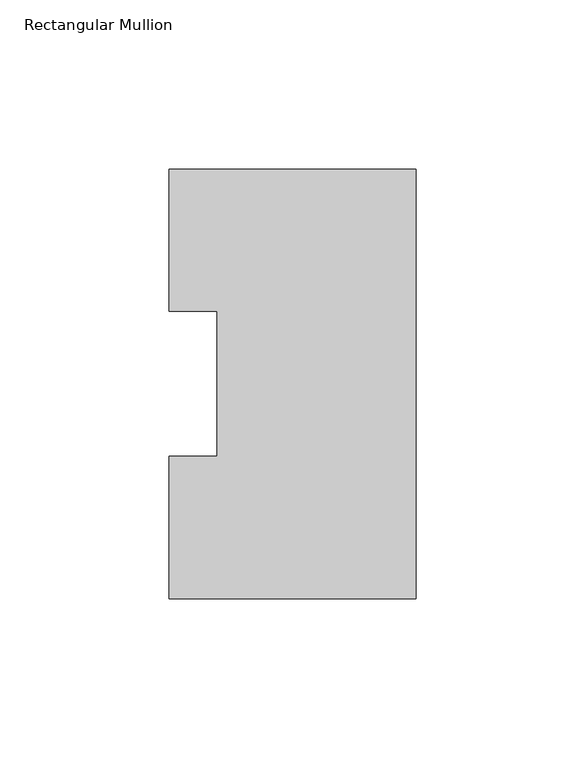
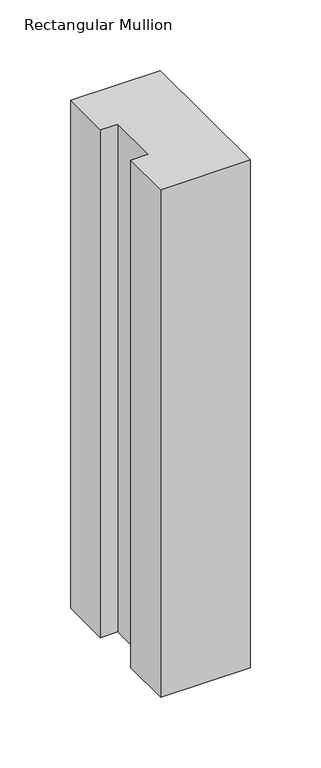
"""IFC4 building model written with IfcOpenShell, lengths in millimetres: member geometry, Rectangular Mullion."""

from ifc_helpers import new_model, si_unit, frame, origin, place, context, project, spatial, polyline, outline, extrude, source, transform, mapped, element, save


def rectangular_mullion_255fce44(model_context):
    return source(origin(), model_context, "Body", "SweptSolid", [
        extrude(outline(polyline([(0.0, 127.006348), (0.0, 0.0063465), (-73.025, 0.0063465), (-73.025, 42.0814491), (-58.7375, 42.0814491), (-58.7375, 84.93125), (-73.025, 84.93125), (-73.025, 127.006348), (0.0, 127.006348)])), frame((0.0, 0.0, -438.15), z_axis=(0.0, 0.0, 1.0), x_axis=(1.0, 0.0, 0.0)), (0.0, 0.0, 1.0), 438.15),
    ])


if __name__ == "__main__":
    model = new_model("IFC4")
    model_context = context("Model", 3, world=origin())
    ifc_project = project(units=[si_unit("LENGTHUNIT", "METRE", prefix="MILLI")], contexts=[model_context])
    site = spatial("IfcSite", under=ifc_project)
    building = spatial("IfcBuilding", under=site)
    placement = place(None, origin())
    rectangular_mullion_shape = rectangular_mullion_255fce44(model_context)
    element("IfcMember", 1, ObjectType="Rectangular Mullion", at=placement, inside=building, context=model_context, shape_type="MappedRepresentation", body=[
        mapped(rectangular_mullion_shape, transform((0.0, 0.0, 0.0), x_axis=(1.0, 0.0, 0.0), y_axis=(0.0, 1.0, 0.0), z_axis=(0.0, 0.0, 1.0))),
    ])
    save(model, "model.ifc")
